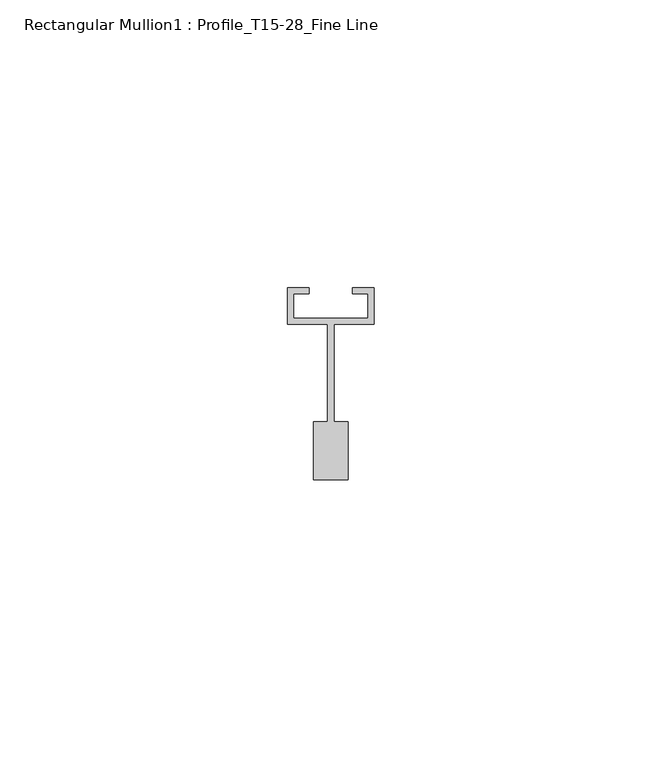
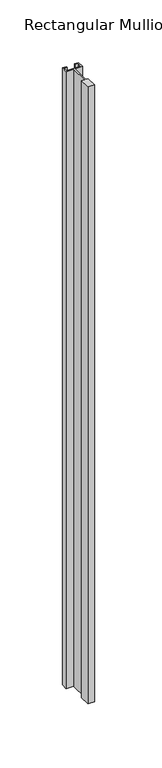
"""IFC4 building model written with IfcOpenShell, lengths in millimetres: member geometry, Rectangular Mullion1 : Profile_T15-28_Fine Line."""

from ifc_helpers import new_model, si_unit, frame, origin, place, context, project, spatial, polyline, outline, extrude, source, transform, mapped, element, save


def rectangular_mullion1_profile_t15_28_fine_line_65ef6b63(model_context):
    return source(origin(), model_context, "Body", "SweptSolid", [
        extrude(outline(polyline([(-6.5, 2.7), (6.5, 2.7), (6.5, 7.0), (3.75, 7.0), (3.75, 8.0), (7.5, 8.0), (7.5, 1.7), (0.6, 1.7), (0.6, -15.3), (3.0, -15.3), (3.0, -25.3), (-3.0, -25.3), (-3.0, -15.3), (-0.6, -15.3), (-0.6, 1.7), (-7.5, 1.7), (-7.5, 8.0), (-3.75, 8.0), (-3.75, 7.0), (-6.5, 7.0), (-6.5, 2.7)])), frame((0.0, 0.0, -602.5000003), z_axis=(0.0, 0.0, 1.0), x_axis=(1.0, 0.0, 0.0)), (0.0, 0.0, 1.0), 602.5000003),
    ])


if __name__ == "__main__":
    model = new_model("IFC4")
    model_context = context("Model", 3, world=origin())
    ifc_project = project(units=[si_unit("LENGTHUNIT", "METRE", prefix="MILLI")], contexts=[model_context])
    site = spatial("IfcSite", under=ifc_project)
    building = spatial("IfcBuilding", under=site)
    placement = place(None, origin())
    rectangular_mullion1_profile_t15_28_fine_line_shape = rectangular_mullion1_profile_t15_28_fine_line_65ef6b63(model_context)
    element("IfcMember", 1, ObjectType="Rectangular Mullion1 : Profile_T15-28_Fine Line", at=placement, inside=building, context=model_context, shape_type="MappedRepresentation", body=[
        mapped(rectangular_mullion1_profile_t15_28_fine_line_shape, transform((0.0, 0.0, 0.0), x_axis=(1.0, 0.0, 0.0), y_axis=(0.0, 1.0, 0.0), z_axis=(0.0, 0.0, 1.0))),
    ])
    save(model, "model.ifc")
